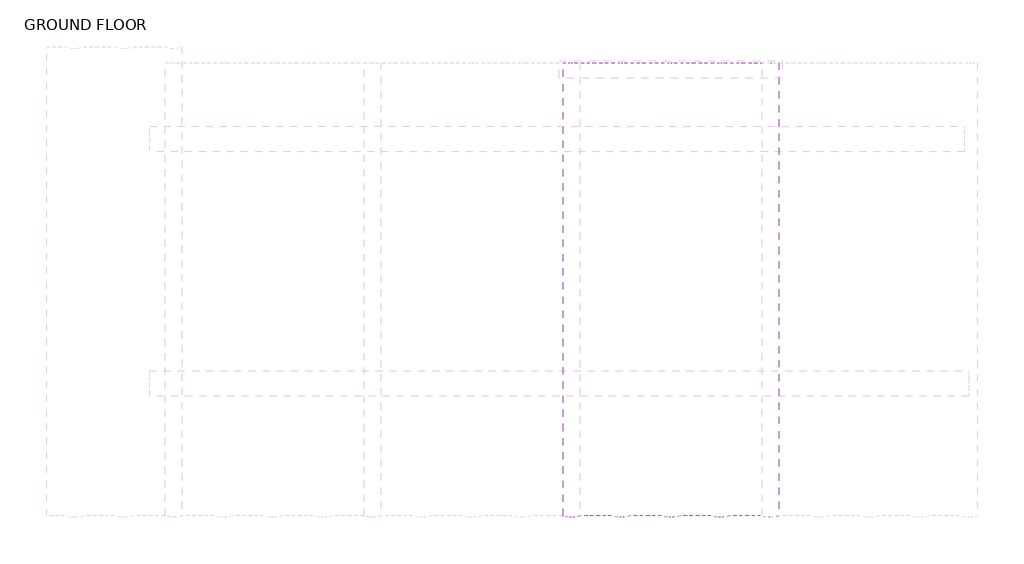
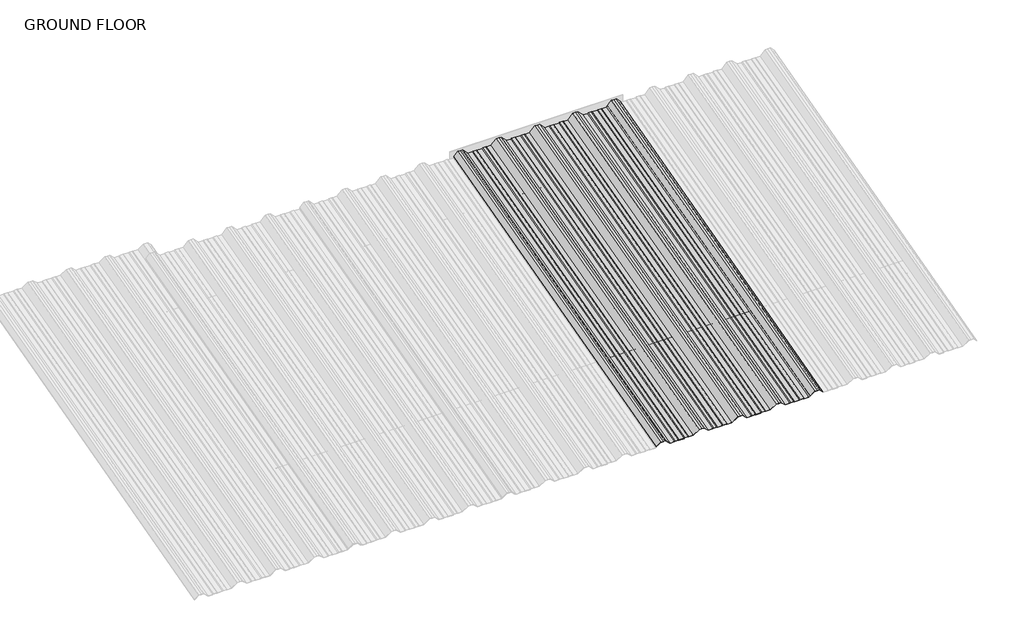
# One storey, part 3 of 4: 1 beam.
"""IFC4 building model written with IfcOpenShell, lengths in millimetres."""

from ifc_helpers import new_model, si_unit, frame, origin, place, context, project, spatial, circle_curve, ellipse_curve, element, save
from ifc_brep_helpers import plane_surface, cylinder_surface, advanced_brep

model = new_model("IFC4")

# Units and contexts
model_context = context("Model", 3, world=origin())
ifc_project = project(units=[si_unit("LENGTHUNIT", "METRE", prefix="MILLI")], contexts=[model_context])

# Site, building, storey
site = spatial("IfcSite", under=ifc_project)
building = spatial("IfcBuilding", under=site)
storey = spatial("IfcBuildingStorey", under=building, Name="GROUND FLOOR", Elevation=0.0)

# Beam
placement = place(None, origin())
element("IfcBeam", 1, ObjectType="MC770", at=placement, inside=storey, context=model_context, shape_type="AdvancedBrep", body=[
    advanced_brep(
    [(-7715.5603599, -11886.263654, 1304.9915055), (-7692.8627049, -11886.263654, 1304.9915055), (-7667.2882907, -11892.9929492, 1330.1055769), (-7655.3628017, -11892.9929492, 1330.1055769), (-7643.4373126, -11892.9929492, 1330.1055769), (-7624.1010527, -11887.905075, 1311.1173721), (-7623.3155527, -11888.1083774, 1311.8761068), (-7642.8628017, -11893.2517682, 1331.0715028), (-7655.3628017, -11893.2517682, 1331.0715028), (-7667.8628017, -11893.2517682, 1331.0715028), (-7693.4372159, -11886.522473, 1305.9574313), (-7715.2698454, -11886.522473, 1305.9574313), (-7718.4848895, -11887.0505225, 1307.9281386), (-7735.4248588, -11887.0505225, 1307.9281386), (-7739.8051765, -11886.522473, 1305.9574313), (-7763.4204268, -11886.522473, 1305.9574313), (-7767.8007445, -11887.0505225, 1307.9281386), (-7784.7407138, -11887.0505225, 1307.9281386), (-7787.9557579, -11886.522473, 1305.9574313), (-7809.7883874, -11886.522473, 1305.9574313), (-7835.3628017, -11893.2517682, 1331.0715028), (-7847.8628017, -11893.2517682, 1331.0715028), (-7860.3628017, -11893.2517682, 1331.0715028), (-7885.9372159, -11886.522473, 1305.9574313), (-7907.7698454, -11886.522473, 1305.9574313), (-7910.9848895, -11887.0505225, 1307.9281386), (-7927.9248588, -11887.0505225, 1307.9281386), (-7932.3051765, -11886.522473, 1305.9574313), (-7955.9204268, -11886.522473, 1305.9574313), (-7960.3007445, -11887.0505225, 1307.9281386), (-7977.2407138, -11887.0505225, 1307.9281386), (-7980.4557579, -11886.522473, 1305.9574313), (-8002.2883874, -11886.522473, 1305.9574313), (-8027.8628017, -11893.2517682, 1331.0715028), (-8040.3628017, -11893.2517682, 1331.0715028), (-8052.8628017, -11893.2517682, 1331.0715028), (-8078.4372159, -11886.522473, 1305.9574313), (-8100.2698454, -11886.522473, 1305.9574313), (-8103.4848895, -11887.0505225, 1307.9281386), (-8120.4248588, -11887.0505225, 1307.9281386), (-8124.8051765, -11886.522473, 1305.9574313), (-8148.4204268, -11886.522473, 1305.9574313), (-8152.8007445, -11887.0505225, 1307.9281386), (-8169.7407138, -11887.0505225, 1307.9281386), (-8172.9557579, -11886.522473, 1305.9574313), (-8194.7883874, -11886.522473, 1305.9574313), (-8220.3628017, -11893.2517682, 1331.0715028), (-8232.8628017, -11893.2517682, 1331.0715028), (-8245.3628017, -11893.2517682, 1331.0715028), (-8270.9372159, -11886.522473, 1305.9574313), (-8292.7698454, -11886.522473, 1305.9574313), (-8295.9848895, -11887.0505225, 1307.9281386), (-8312.9248588, -11887.0505225, 1307.9281386), (-8317.3051765, -11886.522473, 1305.9574313), (-8340.9204268, -11886.522473, 1305.9574313), (-8345.3007445, -11887.0505225, 1307.9281386), (-8362.2407138, -11887.0505225, 1307.9281386), (-8365.4557579, -11886.522473, 1305.9574313), (-8387.2883874, -11886.522473, 1305.9574313), (-8412.8628017, -11893.2517682, 1331.0715028), (-8425.3628017, -11893.2517682, 1331.0715028), (-8437.8628017, -11893.2517682, 1331.0715028), (-8457.4100506, -11888.1083774, 1311.8761068), (-8456.6245506, -11887.905075, 1311.1173721), (-8437.2882907, -11892.9929492, 1330.1055769), (-8425.3628017, -11892.9929492, 1330.1055769), (-8413.4373126, -11892.9929492, 1330.1055769), (-8387.8628984, -11886.263654, 1304.9915055), (-8365.1652434, -11886.263654, 1304.9915055), (-8361.9501993, -11886.7917034, 1306.9622127), (-8345.522208, -11886.7917034, 1306.9622127), (-8341.1418903, -11886.263654, 1304.9915055), (-8317.083713, -11886.263654, 1304.9915055), (-8312.7033953, -11886.7917034, 1306.9622127), (-8296.275404, -11886.7917034, 1306.9622127), (-8293.0603599, -11886.263654, 1304.9915055), (-8270.3627049, -11886.263654, 1304.9915055), (-8244.7882907, -11892.9929492, 1330.1055769), (-8232.8628017, -11892.9929492, 1330.1055769), (-8220.9373126, -11892.9929492, 1330.1055769), (-8195.3628984, -11886.263654, 1304.9915055), (-8172.6652434, -11886.263654, 1304.9915055), (-8169.4501993, -11886.7917034, 1306.9622127), (-8153.022208, -11886.7917034, 1306.9622127), (-8148.6418903, -11886.263654, 1304.9915055), (-8124.583713, -11886.263654, 1304.9915055), (-8120.2033953, -11886.7917034, 1306.9622127), (-8103.775404, -11886.7917034, 1306.9622127), (-8100.5603599, -11886.263654, 1304.9915055), (-8077.8627049, -11886.263654, 1304.9915055), (-8052.2882907, -11892.9929492, 1330.1055769), (-8040.3628017, -11892.9929492, 1330.1055769), (-8028.4373126, -11892.9929492, 1330.1055769), (-8002.8628984, -11886.263654, 1304.9915055), (-7980.1652434, -11886.263654, 1304.9915055), (-7976.9501993, -11886.7917034, 1306.9622127), (-7960.522208, -11886.7917034, 1306.9622127), (-7956.1418903, -11886.263654, 1304.9915055), (-7932.083713, -11886.263654, 1304.9915055), (-7927.7033953, -11886.7917034, 1306.9622127), (-7911.275404, -11886.7917034, 1306.9622127), (-7908.0603599, -11886.263654, 1304.9915055), (-7885.3627049, -11886.263654, 1304.9915055), (-7859.7882907, -11892.9929492, 1330.1055769), (-7847.8628017, -11892.9929492, 1330.1055769), (-7835.9373126, -11892.9929492, 1330.1055769), (-7810.3628984, -11886.263654, 1304.9915055), (-7787.6652434, -11886.263654, 1304.9915055), (-7784.4501993, -11886.7917034, 1306.9622127), (-7768.022208, -11886.7917034, 1306.9622127), (-7763.6418903, -11886.263654, 1304.9915055), (-7739.583713, -11886.263654, 1304.9915055), (-7735.2033953, -11886.7917034, 1306.9622127), (-7718.775404, -11886.7917034, 1306.9622127), (-7835.9373126, -10133.2979315, 1801.6144358), (-7810.3628984, -10133.2979315, 1774.6972552), (-7847.8628017, -10133.2979315, 1801.6144358), (-7859.7882907, -10133.2979315, 1801.6144358), (-7885.3627049, -10133.2979315, 1774.6972552), (-7908.0603599, -10133.2979315, 1774.6972552), (-7911.275404, -10133.2979315, 1776.8094529), (-7927.7033953, -10133.2979315, 1776.8094529), (-7932.083713, -10133.2979315, 1774.6972552), (-7956.1418903, -10133.2979315, 1774.6972552), (-7960.522208, -10133.2979315, 1776.8094529), (-7976.9501993, -10133.2979315, 1776.8094529), (-7980.1652434, -10133.2979315, 1774.6972552), (-8002.8628984, -10133.2979315, 1774.6972552), (-8028.4373126, -10133.2979315, 1801.6144358), (-8040.3628017, -10133.2979315, 1801.6144358), (-8052.2882907, -10133.2979315, 1801.6144358), (-8077.8627049, -10133.2979315, 1774.6972552), (-8100.5603599, -10133.2979315, 1774.6972552), (-8103.775404, -10133.2979315, 1776.8094529), (-8120.2033953, -10133.2979315, 1776.8094529), (-8124.583713, -10133.2979315, 1774.6972552), (-8148.6418903, -10133.2979315, 1774.6972552), (-8153.022208, -10133.2979315, 1776.8094529), (-8169.4501993, -10133.2979315, 1776.8094529), (-8172.6652434, -10133.2979315, 1774.6972552), (-8195.3628984, -10133.2979315, 1774.6972552), (-8220.9373126, -10133.2979315, 1801.6144358), (-8232.8628017, -10133.2979315, 1801.6144358), (-8244.7882907, -10133.2979315, 1801.6144358), (-8270.3627049, -10133.2979315, 1774.6972552), (-8293.0603599, -10133.2979315, 1774.6972552), (-8296.275404, -10133.2979315, 1776.8094529), (-8312.7033953, -10133.2979315, 1776.8094529), (-8317.083713, -10133.2979315, 1774.6972552), (-8341.1418903, -10133.2979315, 1774.6972552), (-8345.522208, -10133.2979315, 1776.8094529), (-8361.9501993, -10133.2979315, 1776.8094529), (-8365.1652434, -10133.2979315, 1774.6972552), (-8387.8628984, -10133.2979315, 1774.6972552), (-8413.4373126, -10133.2979315, 1801.6144358), (-8425.3628017, -10133.2979315, 1801.6144358), (-8437.2882907, -10133.2979315, 1801.6144358), (-8456.6245506, -10133.2979315, 1781.2629393), (-8457.4100506, -10133.2979315, 1782.0761487), (-8437.8628017, -10133.2979315, 1802.649712), (-8425.3628017, -10133.2979315, 1802.649712), (-8412.8628017, -10133.2979315, 1802.649712), (-8387.2883874, -10133.2979315, 1775.7325313), (-8365.4557579, -10133.2979315, 1775.7325313), (-8362.2407138, -10133.2979315, 1777.844729), (-8345.3007445, -10133.2979315, 1777.844729), (-8340.9204268, -10133.2979315, 1775.7325313), (-8317.3051765, -10133.2979315, 1775.7325313), (-8312.9248588, -10133.2979315, 1777.844729), (-8295.9848895, -10133.2979315, 1777.844729), (-8292.7698454, -10133.2979315, 1775.7325313), (-8270.9372159, -10133.2979315, 1775.7325313), (-8245.3628017, -10133.2979315, 1802.649712), (-8232.8628017, -10133.2979315, 1802.649712), (-8220.3628017, -10133.2979315, 1802.649712), (-8194.7883874, -10133.2979315, 1775.7325313), (-8172.9557579, -10133.2979315, 1775.7325313), (-8169.7407138, -10133.2979315, 1777.844729), (-8152.8007445, -10133.2979315, 1777.844729), (-8148.4204268, -10133.2979315, 1775.7325313), (-8124.8051765, -10133.2979315, 1775.7325313), (-8120.4248588, -10133.2979315, 1777.844729), (-8103.4848895, -10133.2979315, 1777.844729), (-8100.2698454, -10133.2979315, 1775.7325313), (-8078.4372159, -10133.2979315, 1775.7325313), (-8052.8628017, -10133.2979315, 1802.649712), (-8040.3628017, -10133.2979315, 1802.649712), (-8027.8628017, -10133.2979315, 1802.649712), (-8002.2883874, -10133.2979315, 1775.7325313), (-7980.4557579, -10133.2979315, 1775.7325313), (-7977.2407138, -10133.2979315, 1777.844729), (-7960.3007445, -10133.2979315, 1777.844729), (-7955.9204268, -10133.2979315, 1775.7325313), (-7932.3051765, -10133.2979315, 1775.7325313), (-7927.9248588, -10133.2979315, 1777.844729), (-7910.9848895, -10133.2979315, 1777.844729), (-7907.7698454, -10133.2979315, 1775.7325313), (-7885.9372159, -10133.2979315, 1775.7325313), (-7860.3628017, -10133.2979315, 1802.649712), (-7847.8628017, -10133.2979315, 1802.649712), (-7835.3628017, -10133.2979315, 1802.649712), (-7809.7883874, -10133.2979315, 1775.7325313), (-7787.9557579, -10133.2979315, 1775.7325313), (-7784.7407138, -10133.2979315, 1777.844729), (-7767.8007445, -10133.2979315, 1777.844729), (-7763.4204268, -10133.2979315, 1775.7325313), (-7739.8051765, -10133.2979315, 1775.7325313), (-7735.4248588, -10133.2979315, 1777.844729), (-7718.4848895, -10133.2979315, 1777.844729), (-7715.2698454, -10133.2979315, 1775.7325313), (-7693.4372159, -10133.2979315, 1775.7325313), (-7667.8628017, -10133.2979315, 1802.649712), (-7655.3628017, -10133.2979315, 1802.649712), (-7642.8628017, -10133.2979315, 1802.649712), (-7623.3155527, -10133.2979315, 1782.0761487), (-7624.1010527, -10133.2979315, 1781.2629393), (-7643.4373126, -10133.2979315, 1801.6144358), (-7655.3628017, -10133.2979315, 1801.6144358), (-7667.2882907, -10133.2979315, 1801.6144358), (-7692.8627049, -10133.2979315, 1774.6972552), (-7718.775404, -10133.2979315, 1776.8094529), (-7715.5603599, -10133.2979315, 1774.6972552), (-7735.2033953, -10133.2979315, 1776.8094529), (-7739.583713, -10133.2979315, 1774.6972552), (-7763.6418903, -10133.2979315, 1774.6972552), (-7768.022208, -10133.2979315, 1776.8094529), (-7784.4501993, -10133.2979315, 1776.8094529), (-7787.6652434, -10133.2979315, 1774.6972552)],
    [
        (0, 1),
        (1, 2),
        (2, 3),
        (3, 4),
        (4, 5),
        (5, 6, circle_curve(frame((-7623.7115436, -11888.007565, 1311.49987), z_axis=(0.0, -0.9659258262890685, -0.2588190451025203), x_axis=(-1.0000000000000002, 0.0, 0.0)), 0.5554513)),
        (6, 7),
        (7, 8),
        (8, 9),
        (9, 10),
        (10, 11),
        (11, 12),
        (12, 13),
        (13, 14),
        (14, 15),
        (15, 16),
        (16, 17),
        (17, 18),
        (18, 19),
        (19, 20),
        (20, 21),
        (21, 22),
        (22, 23),
        (23, 24),
        (24, 25),
        (25, 26),
        (26, 27),
        (27, 28),
        (28, 29),
        (29, 30),
        (30, 31),
        (31, 32),
        (32, 33),
        (33, 34),
        (34, 35),
        (35, 36),
        (36, 37),
        (37, 38),
        (38, 39),
        (39, 40),
        (40, 41),
        (41, 42),
        (42, 43),
        (43, 44),
        (44, 45),
        (45, 46),
        (46, 47),
        (47, 48),
        (48, 49),
        (49, 50),
        (50, 51),
        (51, 52),
        (52, 53),
        (53, 54),
        (54, 55),
        (55, 56),
        (56, 57),
        (57, 58),
        (58, 59),
        (59, 60),
        (60, 61),
        (61, 62),
        (62, 63, circle_curve(frame((-8457.0140597, -11888.007565, 1311.49987), z_axis=(0.0, -0.9659258262890685, -0.2588190451025203), x_axis=(-1.0000000000000002, 0.0, 0.0)), 0.5554513)),
        (63, 64),
        (64, 65),
        (65, 66),
        (66, 67),
        (67, 68),
        (68, 69),
        (69, 70),
        (70, 71),
        (71, 72),
        (72, 73),
        (73, 74),
        (74, 75),
        (75, 76),
        (76, 77),
        (77, 78),
        (78, 79),
        (79, 80),
        (80, 81),
        (81, 82),
        (82, 83),
        (83, 84),
        (84, 85),
        (85, 86),
        (86, 87),
        (87, 88),
        (88, 89),
        (89, 90),
        (90, 91),
        (91, 92),
        (92, 93),
        (93, 94),
        (94, 95),
        (95, 96),
        (96, 97),
        (97, 98),
        (98, 99),
        (99, 100),
        (100, 101),
        (101, 102),
        (102, 103),
        (103, 104),
        (104, 105),
        (105, 106),
        (106, 107),
        (107, 108),
        (108, 109),
        (109, 110),
        (110, 111),
        (111, 112),
        (112, 113),
        (113, 0),
        (105, 114),
        (114, 115),
        (115, 106),
        (104, 116),
        (116, 114),
        (103, 117),
        (117, 116),
        (102, 118),
        (118, 117),
        (101, 119),
        (119, 118),
        (100, 120),
        (120, 119),
        (99, 121),
        (121, 120),
        (98, 122),
        (122, 121),
        (97, 123),
        (123, 122),
        (96, 124),
        (124, 123),
        (95, 125),
        (125, 124),
        (94, 126),
        (126, 125),
        (93, 127),
        (127, 126),
        (92, 128),
        (128, 127),
        (91, 129),
        (129, 128),
        (90, 130),
        (130, 129),
        (89, 131),
        (131, 130),
        (88, 132),
        (132, 131),
        (87, 133),
        (133, 132),
        (86, 134),
        (134, 133),
        (85, 135),
        (135, 134),
        (84, 136),
        (136, 135),
        (83, 137),
        (137, 136),
        (82, 138),
        (138, 137),
        (81, 139),
        (139, 138),
        (80, 140),
        (140, 139),
        (79, 141),
        (141, 140),
        (78, 142),
        (142, 141),
        (77, 143),
        (143, 142),
        (76, 144),
        (144, 143),
        (75, 145),
        (145, 144),
        (74, 146),
        (146, 145),
        (73, 147),
        (147, 146),
        (72, 148),
        (148, 147),
        (71, 149),
        (149, 148),
        (70, 150),
        (150, 149),
        (69, 151),
        (151, 150),
        (68, 152),
        (152, 151),
        (67, 153),
        (153, 152),
        (66, 154),
        (154, 153),
        (65, 155),
        (155, 154),
        (64, 156),
        (156, 155),
        (63, 157),
        (157, 156),
        (62, 158),
        (158, 157, ellipse_curve(frame((-8457.0140597, -10133.2979315, 1781.6728992), z_axis=(0.0, -1.0, 0.0), x_axis=(0.0, 0.0, 1.0)), 0.5750455, 0.5554513)),
        (61, 159),
        (159, 158),
        (60, 160),
        (160, 159),
        (59, 161),
        (161, 160),
        (58, 162),
        (162, 161),
        (57, 163),
        (163, 162),
        (56, 164),
        (164, 163),
        (55, 165),
        (165, 164),
        (54, 166),
        (166, 165),
        (53, 167),
        (167, 166),
        (52, 168),
        (168, 167),
        (51, 169),
        (169, 168),
        (50, 170),
        (170, 169),
        (49, 171),
        (171, 170),
        (48, 172),
        (172, 171),
        (47, 173),
        (173, 172),
        (46, 174),
        (174, 173),
        (45, 175),
        (175, 174),
        (44, 176),
        (176, 175),
        (43, 177),
        (177, 176),
        (42, 178),
        (178, 177),
        (41, 179),
        (179, 178),
        (40, 180),
        (180, 179),
        (39, 181),
        (181, 180),
        (38, 182),
        (182, 181),
        (37, 183),
        (183, 182),
        (36, 184),
        (184, 183),
        (35, 185),
        (185, 184),
        (34, 186),
        (186, 185),
        (33, 187),
        (187, 186),
        (32, 188),
        (188, 187),
        (31, 189),
        (189, 188),
        (30, 190),
        (190, 189),
        (29, 191),
        (191, 190),
        (28, 192),
        (192, 191),
        (27, 193),
        (193, 192),
        (26, 194),
        (194, 193),
        (25, 195),
        (195, 194),
        (24, 196),
        (196, 195),
        (23, 197),
        (197, 196),
        (22, 198),
        (198, 197),
        (21, 199),
        (199, 198),
        (20, 200),
        (200, 199),
        (19, 201),
        (201, 200),
        (18, 202),
        (202, 201),
        (17, 203),
        (203, 202),
        (16, 204),
        (204, 203),
        (15, 205),
        (205, 204),
        (14, 206),
        (206, 205),
        (13, 207),
        (207, 206),
        (12, 208),
        (208, 207),
        (11, 209),
        (209, 208),
        (10, 210),
        (210, 209),
        (9, 211),
        (211, 210),
        (8, 212),
        (212, 211),
        (7, 213),
        (213, 212),
        (6, 214),
        (214, 213),
        (5, 215),
        (215, 214, ellipse_curve(frame((-7623.7115436, -10133.2979315, 1781.6728992), z_axis=(0.0, -1.0, 0.0), x_axis=(0.0, 0.0, 1.0)), 0.5750455, 0.5554513)),
        (4, 216),
        (216, 215),
        (3, 217),
        (217, 216),
        (2, 218),
        (218, 217),
        (1, 219),
        (219, 218),
        (113, 220),
        (220, 221),
        (221, 0),
        (112, 222),
        (222, 220),
        (111, 223),
        (223, 222),
        (110, 224),
        (224, 223),
        (109, 225),
        (225, 224),
        (108, 226),
        (226, 225),
        (107, 227),
        (227, 226),
        (115, 227),
        (221, 219),
    ],
    [
        plane_surface(frame((-7715.5603599, -11886.263654, 1304.9915055), z_axis=(0.0, -0.9659258262890683, -0.2588190451025203), x_axis=(0.8443401358092323, 0.1386771995183702, -0.5175503544539307))),
        plane_surface(frame((-7810.3628984, -10070.3231006, 1791.5713102), z_axis=(-0.7129174676808552, 0.18149632422634157, -0.6773535033996972), x_axis=(0.0, -0.9659258262890685, -0.2588190451025203))),
        plane_surface(frame((-7835.9373126, -10077.0523957, 1816.6853817), z_axis=(0.0, 0.2588190451025203, -0.9659258262890685), x_axis=(0.0, -0.9659258262890685, -0.2588190451025203))),
        plane_surface(frame((-7847.8628017, -10077.0523957, 1816.6853817), z_axis=(0.0, 0.2588190451025203, -0.9659258262890685), x_axis=(0.0, -0.9659258262890685, -0.2588190451025203))),
        plane_surface(frame((-7859.7882907, -10077.0523957, 1816.6853817), z_axis=(0.7129174676808556, 0.181496324226339, -0.6773535033996975), x_axis=(0.0, -0.9659258262890685, -0.2588190451025203))),
        plane_surface(frame((-7885.3627049, -10070.3231006, 1791.5713102), z_axis=(0.0, 0.2588190451025203, -0.9659258262890685), x_axis=(0.0, -0.9659258262890685, -0.2588190451025203))),
        plane_surface(frame((-7908.0603599, -10070.3231006, 1791.5713102), z_axis=(-0.5358075541290757, 0.21853130769185802, -0.8155699433504795), x_axis=(0.0, -0.9659258262890685, -0.2588190451025203))),
        plane_surface(frame((-7911.275404, -10070.85115, 1793.5420175), z_axis=(0.0, 0.2588190451025203, -0.9659258262890685), x_axis=(0.0, -0.9659258262890685, -0.2588190451025203))),
        plane_surface(frame((-7927.7033953, -10070.85115, 1793.5420175), z_axis=(0.4222188604225527, 0.23461789175160197, -0.8756058923816783), x_axis=(0.0, -0.9659258262890685, -0.2588190451025203))),
        plane_surface(frame((-7932.083713, -10070.3231006, 1791.5713102), z_axis=(0.0, 0.2588190451025203, -0.9659258262890685), x_axis=(0.0, -0.9659258262890685, -0.2588190451025203))),
        plane_surface(frame((-7956.1418903, -10070.3231006, 1791.5713102), z_axis=(-0.42221886042234286, 0.23461789175162867, -0.8756058923817721), x_axis=(0.0, -0.9659258262890685, -0.2588190451025203))),
        plane_surface(frame((-7960.522208, -10070.85115, 1793.5420175), z_axis=(0.0, 0.2588190451025203, -0.9659258262890685), x_axis=(0.0, -0.9659258262890685, -0.2588190451025203))),
        plane_surface(frame((-7976.9501993, -10070.85115, 1793.5420175), z_axis=(0.5358075541289655, 0.2185313076918742, -0.8155699433505474), x_axis=(0.0, -0.9659258262890685, -0.2588190451025203))),
        plane_surface(frame((-7980.1652434, -10070.3231006, 1791.5713102), z_axis=(0.0, 0.2588190451025203, -0.9659258262890685), x_axis=(0.0, -0.9659258262890685, -0.2588190451025203))),
        plane_surface(frame((-8002.8628984, -10070.3231006, 1791.5713102), z_axis=(-0.7129174676808558, 0.18149632422634146, -0.6773535033996968), x_axis=(0.0, -0.9659258262890685, -0.2588190451025203))),
        plane_surface(frame((-8028.4373126, -10077.0523957, 1816.6853817), z_axis=(0.0, 0.2588190451025203, -0.9659258262890685), x_axis=(0.0, -0.9659258262890685, -0.2588190451025203))),
        plane_surface(frame((-8040.3628017, -10077.0523957, 1816.6853817), z_axis=(0.0, 0.2588190451025203, -0.9659258262890685), x_axis=(0.0, -0.9659258262890685, -0.2588190451025203))),
        plane_surface(frame((-8052.2882907, -10077.0523957, 1816.6853817), z_axis=(0.712917467680864, 0.18149632422633677, -0.6773535033996894), x_axis=(0.0, -0.9659258262890685, -0.2588190451025203))),
        plane_surface(frame((-8077.8627049, -10070.3231006, 1791.5713102), z_axis=(0.0, 0.2588190451025203, -0.9659258262890685), x_axis=(0.0, -0.9659258262890685, -0.2588190451025203))),
        plane_surface(frame((-8100.5603599, -10070.3231006, 1791.5713102), z_axis=(-0.5358075541289675, 0.21853130769187584, -0.815569943350546), x_axis=(0.0, -0.9659258262890685, -0.2588190451025203))),
        plane_surface(frame((-8103.775404, -10070.85115, 1793.5420175), z_axis=(0.0, 0.2588190451025203, -0.9659258262890685), x_axis=(0.0, -0.9659258262890685, -0.2588190451025203))),
        plane_surface(frame((-8120.2033953, -10070.85115, 1793.5420175), z_axis=(0.42221886042244855, 0.2346178917516145, -0.8756058923817249), x_axis=(0.0, -0.9659258262890685, -0.2588190451025203))),
        plane_surface(frame((-8124.583713, -10070.3231006, 1791.5713102), z_axis=(0.0, 0.2588190451025203, -0.9659258262890685), x_axis=(0.0, -0.9659258262890685, -0.2588190451025203))),
        plane_surface(frame((-8148.6418903, -10070.3231006, 1791.5713102), z_axis=(-0.4222188604224433, 0.23461789175161654, -0.8756058923817269), x_axis=(0.0, -0.9659258262890685, -0.2588190451025203))),
        plane_surface(frame((-8153.022208, -10070.85115, 1793.5420175), z_axis=(0.0, 0.2588190451025203, -0.9659258262890685), x_axis=(0.0, -0.9659258262890685, -0.2588190451025203))),
        plane_surface(frame((-8169.4501993, -10070.85115, 1793.5420175), z_axis=(0.5358075541289593, 0.21853130769187526, -0.8155699433505512), x_axis=(0.0, -0.9659258262890685, -0.2588190451025203))),
        plane_surface(frame((-8172.6652434, -10070.3231006, 1791.5713102), z_axis=(0.0, 0.2588190451025203, -0.9659258262890685), x_axis=(0.0, -0.9659258262890685, -0.2588190451025203))),
        plane_surface(frame((-8195.3628984, -10070.3231006, 1791.5713102), z_axis=(-0.7129174676808558, 0.18149632422634146, -0.6773535033996968), x_axis=(0.0, -0.9659258262890685, -0.2588190451025203))),
        plane_surface(frame((-8220.9373126, -10077.0523957, 1816.6853817), z_axis=(0.0, 0.2588190451025203, -0.9659258262890685), x_axis=(0.0, -0.9659258262890685, -0.2588190451025203))),
        plane_surface(frame((-8232.8628017, -10077.0523957, 1816.6853817), z_axis=(0.0, 0.2588190451025203, -0.9659258262890685), x_axis=(0.0, -0.9659258262890685, -0.2588190451025203))),
        plane_surface(frame((-8244.7882907, -10077.0523957, 1816.6853817), z_axis=(0.712917467680864, 0.1814963242263368, -0.6773535033996895), x_axis=(0.0, -0.9659258262890685, -0.2588190451025203))),
        plane_surface(frame((-8270.3627049, -10070.3231006, 1791.5713102), z_axis=(0.0, 0.2588190451025203, -0.9659258262890685), x_axis=(0.0, -0.9659258262890685, -0.2588190451025203))),
        plane_surface(frame((-8293.0603599, -10070.3231006, 1791.5713102), z_axis=(-0.535807554128972, 0.218531307691875, -0.8155699433505431), x_axis=(0.0, -0.9659258262890685, -0.2588190451025203))),
        plane_surface(frame((-8296.275404, -10070.85115, 1793.5420175), z_axis=(0.0, 0.2588190451025203, -0.9659258262890685), x_axis=(0.0, -0.9659258262890685, -0.2588190451025203))),
        plane_surface(frame((-8312.7033953, -10070.85115, 1793.5420175), z_axis=(0.42221886042244905, 0.23461789175161446, -0.8756058923817248), x_axis=(0.0, -0.9659258262890685, -0.2588190451025203))),
        plane_surface(frame((-8317.083713, -10070.3231006, 1791.5713102), z_axis=(0.0, 0.2588190451025203, -0.9659258262890685), x_axis=(0.0, -0.9659258262890685, -0.2588190451025203))),
        plane_surface(frame((-8341.1418903, -10070.3231006, 1791.5713102), z_axis=(-0.4222188604224491, 0.2346178917516159, -0.8756058923817244), x_axis=(0.0, -0.9659258262890685, -0.2588190451025203))),
        plane_surface(frame((-8345.522208, -10070.85115, 1793.5420175), z_axis=(0.0, 0.2588190451025203, -0.9659258262890685), x_axis=(0.0, -0.9659258262890685, -0.2588190451025203))),
        plane_surface(frame((-8361.9501993, -10070.85115, 1793.5420175), z_axis=(0.5358075541289655, 0.2185313076918742, -0.8155699433505474), x_axis=(0.0, -0.9659258262890685, -0.2588190451025203))),
        plane_surface(frame((-8365.1652434, -10070.3231006, 1791.5713102), z_axis=(0.0, 0.2588190451025203, -0.9659258262890685), x_axis=(0.0, -0.9659258262890685, -0.2588190451025203))),
        plane_surface(frame((-8387.8628984, -10070.3231006, 1791.5713102), z_axis=(-0.7129174676808541, 0.18149632422634193, -0.6773535033996987), x_axis=(0.0, -0.9659258262890685, -0.2588190451025203))),
        plane_surface(frame((-8413.4373126, -10077.0523957, 1816.6853817), z_axis=(0.0, 0.25881904510252024, -0.9659258262890685), x_axis=(0.0, -0.9659258262890685, -0.25881904510252024))),
        plane_surface(frame((-8425.3628017, -10077.0523957, 1816.6853817), z_axis=(0.0, 0.25881904510252024, -0.9659258262890685), x_axis=(0.0, -0.9659258262890685, -0.25881904510252024))),
        plane_surface(frame((-8437.2882907, -10077.0523957, 1816.6853817), z_axis=(0.7129174676808664, 0.18149632422633616, -0.677353503399687), x_axis=(0.0, -0.9659258262890685, -0.2588190451025203))),
        cylinder_surface(frame((-8457.0140597, -11888.007565, 1311.49987), z_axis=(0.0, 0.9659258262890685, 0.2588190451025203), x_axis=(-1.0000000000000002, 0.0, 0.0)), 0.5554513),
        plane_surface(frame((-8457.4100506, -10072.1678239, 1798.4559116), z_axis=(-0.7129174676808747, -0.18149632422633405, 0.6773535033996789), x_axis=(0.0, -0.9659258262890685, -0.2588190451025203))),
        plane_surface(frame((-8437.8628017, -10077.3112148, 1817.6513076), z_axis=(0.0, -0.25881904510252035, 0.9659258262890685), x_axis=(0.0, -0.9659258262890685, -0.25881904510252035))),
        plane_surface(frame((-8425.3628017, -10077.3112148, 1817.6513076), z_axis=(0.0, -0.25881904510252035, 0.9659258262890685), x_axis=(0.0, -0.9659258262890685, -0.25881904510252035))),
        plane_surface(frame((-8412.8628017, -10077.3112148, 1817.6513076), z_axis=(0.7129174676808452, -0.1814963242263442, 0.6773535033997071), x_axis=(0.0, -0.9659258262890685, -0.2588190451025203))),
        plane_surface(frame((-8387.2883874, -10070.5819196, 1792.5372361), z_axis=(0.0, -0.2588190451025203, 0.9659258262890685), x_axis=(0.0, -0.9659258262890685, -0.2588190451025203))),
        plane_surface(frame((-8365.4557579, -10070.5819196, 1792.5372361), z_axis=(-0.5358075541289655, -0.2185313076918742, 0.8155699433505474), x_axis=(0.0, -0.9659258262890685, -0.2588190451025203))),
        plane_surface(frame((-8362.2407138, -10071.109969, 1794.5079434), z_axis=(0.0, -0.2588190451025203, 0.9659258262890685), x_axis=(0.0, -0.9659258262890685, -0.2588190451025203))),
        plane_surface(frame((-8345.3007445, -10071.109969, 1794.5079434), z_axis=(0.4222188604224491, -0.2346178917516159, 0.8756058923817244), x_axis=(0.0, -0.9659258262890685, -0.2588190451025203))),
        plane_surface(frame((-8340.9204268, -10070.5819196, 1792.5372361), z_axis=(0.0, -0.25881904510252035, 0.9659258262890685), x_axis=(0.0, -0.9659258262890685, -0.25881904510252035))),
        plane_surface(frame((-8317.3051765, -10070.5819196, 1792.5372361), z_axis=(-0.42221886042244905, -0.23461789175161446, 0.8756058923817248), x_axis=(0.0, -0.9659258262890685, -0.2588190451025203))),
        plane_surface(frame((-8312.9248588, -10071.109969, 1794.5079434), z_axis=(0.0, -0.2588190451025203, 0.9659258262890685), x_axis=(0.0, -0.9659258262890685, -0.2588190451025203))),
        plane_surface(frame((-8295.9848895, -10071.109969, 1794.5079434), z_axis=(0.5358075541289593, -0.21853130769187715, 0.8155699433505508), x_axis=(0.0, -0.9659258262890685, -0.2588190451025203))),
        plane_surface(frame((-8292.7698454, -10070.5819196, 1792.5372361), z_axis=(0.0, -0.2588190451025203, 0.9659258262890685), x_axis=(0.0, -0.9659258262890685, -0.2588190451025203))),
        plane_surface(frame((-8270.9372159, -10070.5819196, 1792.5372361), z_axis=(-0.712917467680863, -0.18149632422633713, 0.6773535033996905), x_axis=(0.0, -0.9659258262890685, -0.2588190451025203))),
        plane_surface(frame((-8245.3628017, -10077.3112148, 1817.6513076), z_axis=(0.0, -0.2588190451025203, 0.9659258262890685), x_axis=(0.0, -0.9659258262890685, -0.2588190451025203))),
        plane_surface(frame((-8232.8628017, -10077.3112148, 1817.6513076), z_axis=(0.0, -0.2588190451025203, 0.9659258262890685), x_axis=(0.0, -0.9659258262890685, -0.2588190451025203))),
        plane_surface(frame((-8220.3628017, -10077.3112148, 1817.6513076), z_axis=(0.7129174676808556, -0.18149632422634152, 0.677353503399697), x_axis=(0.0, -0.9659258262890685, -0.2588190451025203))),
        plane_surface(frame((-8194.7883874, -10070.5819196, 1792.5372361), z_axis=(0.0, -0.2588190451025203, 0.9659258262890685), x_axis=(0.0, -0.9659258262890685, -0.2588190451025203))),
        plane_surface(frame((-8172.9557579, -10070.5819196, 1792.5372361), z_axis=(-0.5358075541289593, -0.21853130769187526, 0.8155699433505512), x_axis=(0.0, -0.9659258262890685, -0.2588190451025203))),
        plane_surface(frame((-8169.7407138, -10071.109969, 1794.5079434), z_axis=(0.0, -0.2588190451025203, 0.9659258262890685), x_axis=(0.0, -0.9659258262890685, -0.2588190451025203))),
        plane_surface(frame((-8152.8007445, -10071.109969, 1794.5079434), z_axis=(0.4222188604224433, -0.23461789175161654, 0.8756058923817269), x_axis=(0.0, -0.9659258262890685, -0.2588190451025203))),
        plane_surface(frame((-8148.4204268, -10070.5819196, 1792.5372361), z_axis=(0.0, -0.2588190451025203, 0.9659258262890685), x_axis=(0.0, -0.9659258262890685, -0.2588190451025203))),
        plane_surface(frame((-8124.8051765, -10070.5819196, 1792.5372361), z_axis=(-0.422218860422454, -0.23461789175161382, 0.8756058923817225), x_axis=(0.0, -0.9659258262890685, -0.2588190451025203))),
        plane_surface(frame((-8120.4248588, -10071.109969, 1794.5079434), z_axis=(0.0, -0.2588190451025203, 0.9659258262890685), x_axis=(0.0, -0.9659258262890685, -0.2588190451025203))),
        plane_surface(frame((-8103.4848895, -10071.109969, 1794.5079434), z_axis=(0.5358075541289514, -0.21853130769187845, 0.8155699433505558), x_axis=(0.0, -0.9659258262890685, -0.2588190451025203))),
        plane_surface(frame((-8100.2698454, -10070.5819196, 1792.5372361), z_axis=(0.0, -0.2588190451025203, 0.9659258262890685), x_axis=(0.0, -0.9659258262890685, -0.2588190451025203))),
        plane_surface(frame((-8078.4372159, -10070.5819196, 1792.5372361), z_axis=(-0.7129174676808554, -0.18149632422633907, 0.6773535033996979), x_axis=(0.0, -0.9659258262890685, -0.2588190451025203))),
        plane_surface(frame((-8052.8628017, -10077.3112148, 1817.6513076), z_axis=(0.0, -0.2588190451025203, 0.9659258262890685), x_axis=(0.0, -0.9659258262890685, -0.2588190451025203))),
        plane_surface(frame((-8040.3628017, -10077.3112148, 1817.6513076), z_axis=(0.0, -0.2588190451025203, 0.9659258262890685), x_axis=(0.0, -0.9659258262890685, -0.2588190451025203))),
        plane_surface(frame((-8027.8628017, -10077.3112148, 1817.6513076), z_axis=(0.7129174676808471, -0.18149632422634374, 0.6773535033997052), x_axis=(0.0, -0.9659258262890685, -0.2588190451025203))),
        plane_surface(frame((-8002.2883874, -10070.5819196, 1792.5372361), z_axis=(0.0, -0.2588190451025203, 0.9659258262890685), x_axis=(0.0, -0.9659258262890685, -0.2588190451025203))),
        plane_surface(frame((-7980.4557579, -10070.5819196, 1792.5372361), z_axis=(-0.5358075541289655, -0.2185313076918742, 0.8155699433505474), x_axis=(0.0, -0.9659258262890685, -0.2588190451025203))),
        plane_surface(frame((-7977.2407138, -10071.109969, 1794.5079434), z_axis=(0.0, -0.2588190451025203, 0.9659258262890685), x_axis=(0.0, -0.9659258262890685, -0.2588190451025203))),
        plane_surface(frame((-7960.3007445, -10071.109969, 1794.5079434), z_axis=(0.42221886042223916, -0.2346178917516412, 0.8756058923818187), x_axis=(0.0, -0.9659258262890685, -0.2588190451025203))),
        plane_surface(frame((-7955.9204268, -10070.5819196, 1792.5372361), z_axis=(0.0, -0.2588190451025203, 0.9659258262890685), x_axis=(0.0, -0.9659258262890685, -0.2588190451025203))),
        plane_surface(frame((-7932.3051765, -10070.5819196, 1792.5372361), z_axis=(-0.4222188604224463, -0.23461789175161474, 0.8756058923817259), x_axis=(0.0, -0.9659258262890685, -0.2588190451025203))),
        plane_surface(frame((-7927.9248588, -10071.109969, 1794.5079434), z_axis=(0.0, -0.2588190451025203, 0.9659258262890685), x_axis=(0.0, -0.9659258262890685, -0.2588190451025203))),
        plane_surface(frame((-7910.9848895, -10071.109969, 1794.5079434), z_axis=(0.5358075541289616, -0.21853130769187676, 0.8155699433505494), x_axis=(0.0, -0.9659258262890685, -0.2588190451025203))),
        plane_surface(frame((-7907.7698454, -10070.5819196, 1792.5372361), z_axis=(0.0, -0.2588190451025203, 0.9659258262890685), x_axis=(0.0, -0.9659258262890685, -0.2588190451025203))),
        plane_surface(frame((-7885.9372159, -10070.5819196, 1792.5372361), z_axis=(-0.7129174676808471, -0.18149632422634124, 0.6773535033997059), x_axis=(0.0, -0.9659258262890685, -0.2588190451025203))),
        plane_surface(frame((-7860.3628017, -10077.3112148, 1817.6513076), z_axis=(0.0, -0.2588190451025203, 0.9659258262890685), x_axis=(0.0, -0.9659258262890685, -0.2588190451025203))),
        plane_surface(frame((-7847.8628017, -10077.3112148, 1817.6513076), z_axis=(0.0, -0.2588190451025203, 0.9659258262890685), x_axis=(0.0, -0.9659258262890685, -0.2588190451025203))),
        plane_surface(frame((-7835.3628017, -10077.3112148, 1817.6513076), z_axis=(0.7129174676808553, -0.18149632422634157, 0.6773535033996972), x_axis=(0.0, -0.9659258262890685, -0.2588190451025203))),
        plane_surface(frame((-7809.7883874, -10070.5819196, 1792.5372361), z_axis=(0.0, -0.2588190451025203, 0.9659258262890685), x_axis=(0.0, -0.9659258262890685, -0.2588190451025203))),
        plane_surface(frame((-7787.9557579, -10070.5819196, 1792.5372361), z_axis=(-0.5358075541289593, -0.21853130769187526, 0.8155699433505512), x_axis=(0.0, -0.9659258262890685, -0.2588190451025203))),
        plane_surface(frame((-7784.7407138, -10071.109969, 1794.5079434), z_axis=(0.0, -0.2588190451025203, 0.9659258262890685), x_axis=(0.0, -0.9659258262890685, -0.2588190451025203))),
        plane_surface(frame((-7767.8007445, -10071.109969, 1794.5079434), z_axis=(0.4222188604224433, -0.23461789175161654, 0.8756058923817269), x_axis=(0.0, -0.9659258262890685, -0.2588190451025203))),
        plane_surface(frame((-7763.4204268, -10070.5819196, 1792.5372361), z_axis=(0.0, -0.2588190451025203, 0.9659258262890685), x_axis=(0.0, -0.9659258262890685, -0.2588190451025203))),
        plane_surface(frame((-7739.8051765, -10070.5819196, 1792.5372361), z_axis=(-0.42221886042244855, -0.2346178917516145, 0.8756058923817249), x_axis=(0.0, -0.9659258262890685, -0.2588190451025203))),
        plane_surface(frame((-7735.4248588, -10071.109969, 1794.5079434), z_axis=(0.0, -0.2588190451025203, 0.9659258262890685), x_axis=(0.0, -0.9659258262890685, -0.2588190451025203))),
        plane_surface(frame((-7718.4848895, -10071.109969, 1794.5079434), z_axis=(0.5358075541289593, -0.21853130769187712, 0.8155699433505508), x_axis=(0.0, -0.9659258262890685, -0.2588190451025203))),
        plane_surface(frame((-7715.2698454, -10070.5819196, 1792.5372361), z_axis=(0.0, -0.2588190451025203, 0.9659258262890685), x_axis=(0.0, -0.9659258262890685, -0.2588190451025203))),
        plane_surface(frame((-7693.4372159, -10070.5819196, 1792.5372361), z_axis=(-0.7129174676808604, -0.18149632422633774, 0.677353503399693), x_axis=(0.0, -0.9659258262890685, -0.2588190451025203))),
        plane_surface(frame((-7667.8628017, -10077.3112148, 1817.6513076), z_axis=(0.0, -0.2588190451025203, 0.9659258262890685), x_axis=(0.0, -0.9659258262890685, -0.2588190451025203))),
        plane_surface(frame((-7655.3628017, -10077.3112148, 1817.6513076), z_axis=(0.0, -0.2588190451025203, 0.9659258262890685), x_axis=(0.0, -0.9659258262890685, -0.2588190451025203))),
        plane_surface(frame((-7642.8628017, -10077.3112148, 1817.6513076), z_axis=(0.7129174676808666, -0.18149632422633857, 0.6773535033996861), x_axis=(0.0, -0.9659258262890685, -0.2588190451025203))),
        cylinder_surface(frame((-7623.7115436, -11888.007565, 1311.49987), z_axis=(0.0, 0.9659258262890685, 0.2588190451025203), x_axis=(-1.0000000000000002, 0.0, 0.0)), 0.5554513),
        plane_surface(frame((-7624.1010527, -10071.9645216, 1797.6971769), z_axis=(-0.712917467680867, 0.18149632422633852, -0.6773535033996859), x_axis=(0.0, -0.9659258262890685, -0.2588190451025203))),
        plane_surface(frame((-7643.4373126, -10077.0523957, 1816.6853817), z_axis=(0.0, 0.2588190451025203, -0.9659258262890685), x_axis=(0.0, -0.9659258262890685, -0.2588190451025203))),
        plane_surface(frame((-7655.3628017, -10077.0523957, 1816.6853817), z_axis=(0.0, 0.2588190451025203, -0.9659258262890685), x_axis=(0.0, -0.9659258262890685, -0.2588190451025203))),
        plane_surface(frame((-7667.2882907, -10077.0523957, 1816.6853817), z_axis=(0.7129174676808587, 0.1814963242263382, -0.6773535033996947), x_axis=(0.0, -0.9659258262890685, -0.2588190451025203))),
        plane_surface(frame((-7715.5603599, -10070.3231006, 1791.5713102), z_axis=(-0.5358075541289495, 0.21853130769187873, -0.8155699433505568), x_axis=(0.0, -0.9659258262890685, -0.2588190451025203))),
        plane_surface(frame((-7718.775404, -10070.85115, 1793.5420175), z_axis=(0.0, 0.2588190451025203, -0.9659258262890685), x_axis=(0.0, -0.9659258262890685, -0.2588190451025203))),
        plane_surface(frame((-7735.2033953, -10070.85115, 1793.5420175), z_axis=(0.4222188604224517, 0.2346178917516141, -0.8756058923817236), x_axis=(0.0, -0.9659258262890685, -0.2588190451025203))),
        plane_surface(frame((-7739.583713, -10070.3231006, 1791.5713102), z_axis=(0.0, 0.2588190451025203, -0.9659258262890685), x_axis=(0.0, -0.9659258262890685, -0.2588190451025203))),
        plane_surface(frame((-7763.6418903, -10070.3231006, 1791.5713102), z_axis=(-0.4222188604224491, 0.2346178917516159, -0.8756058923817244), x_axis=(0.0, -0.9659258262890685, -0.2588190451025203))),
        plane_surface(frame((-7768.022208, -10070.85115, 1793.5420175), z_axis=(0.0, 0.2588190451025203, -0.9659258262890685), x_axis=(0.0, -0.9659258262890685, -0.2588190451025203))),
        plane_surface(frame((-7784.4501993, -10070.85115, 1793.5420175), z_axis=(0.5358075541289655, 0.2185313076918742, -0.8155699433505474), x_axis=(0.0, -0.9659258262890685, -0.2588190451025203))),
        plane_surface(frame((-7787.6652434, -10070.3231006, 1791.5713102), z_axis=(0.0, 0.2588190451025203, -0.9659258262890685), x_axis=(0.0, -0.9659258262890685, -0.2588190451025203))),
        plane_surface(frame((-7692.8627049, -10070.3231006, 1791.5713102), z_axis=(0.0, 0.2588190451025203, -0.9659258262890685), x_axis=(0.0, -0.9659258262890685, -0.2588190451025203))),
        plane_surface(frame((-10445.3628017, -10133.2979315, 2761.6901946), z_axis=(0.0, 1.0, 0.0), x_axis=(0.0, 0.0, -1.0))),
    ],
    [
        (0, [[1, 2, 3, 4, 5, 6, 7, 8, 9, 10, 11, 12, 13, 14, 15, 16, 17, 18, 19, 20, 21, 22, 23, 24, 25, 26, 27, 28, 29, 30, 31, 32, 33, 34, 35, 36, 37, 38, 39, 40, 41, 42, 43, 44, 45, 46, 47, 48, 49, 50, 51, 52, 53, 54, 55, 56, 57, 58, 59, 60, 61, 62, 63, 64, 65, 66, 67, 68, 69, 70, 71, 72, 73, 74, 75, 76, 77, 78, 79, 80, 81, 82, 83, 84, 85, 86, 87, 88, 89, 90, 91, 92, 93, 94, 95, 96, 97, 98, 99, 100, 101, 102, 103, 104, 105, 106, 107, 108, 109, 110, 111, 112, 113, 114]]),
        (1, [[-106, 115, 116, 117]]),
        (2, [[-105, 118, 119, -115]]),
        (3, [[-104, 120, 121, -118]]),
        (4, [[-103, 122, 123, -120]]),
        (5, [[-102, 124, 125, -122]]),
        (6, [[-101, 126, 127, -124]]),
        (7, [[-100, 128, 129, -126]]),
        (8, [[-99, 130, 131, -128]]),
        (9, [[-98, 132, 133, -130]]),
        (10, [[-97, 134, 135, -132]]),
        (11, [[-96, 136, 137, -134]]),
        (12, [[-95, 138, 139, -136]]),
        (13, [[-94, 140, 141, -138]]),
        (14, [[-93, 142, 143, -140]]),
        (15, [[-92, 144, 145, -142]]),
        (16, [[-91, 146, 147, -144]]),
        (17, [[-90, 148, 149, -146]]),
        (18, [[-89, 150, 151, -148]]),
        (19, [[-88, 152, 153, -150]]),
        (20, [[-87, 154, 155, -152]]),
        (21, [[-86, 156, 157, -154]]),
        (22, [[-85, 158, 159, -156]]),
        (23, [[-84, 160, 161, -158]]),
        (24, [[-83, 162, 163, -160]]),
        (25, [[-82, 164, 165, -162]]),
        (26, [[-81, 166, 167, -164]]),
        (27, [[-80, 168, 169, -166]]),
        (28, [[-79, 170, 171, -168]]),
        (29, [[-78, 172, 173, -170]]),
        (30, [[-77, 174, 175, -172]]),
        (31, [[-76, 176, 177, -174]]),
        (32, [[-75, 178, 179, -176]]),
        (33, [[-74, 180, 181, -178]]),
        (34, [[-73, 182, 183, -180]]),
        (35, [[-72, 184, 185, -182]]),
        (36, [[-71, 186, 187, -184]]),
        (37, [[-70, 188, 189, -186]]),
        (38, [[-69, 190, 191, -188]]),
        (39, [[-68, 192, 193, -190]]),
        (40, [[-67, 194, 195, -192]]),
        (41, [[-66, 196, 197, -194]]),
        (42, [[-65, 198, 199, -196]]),
        (43, [[-64, 200, 201, -198]]),
        (44, [[-63, 202, 203, -200]]),
        (45, [[-62, 204, 205, -202]]),
        (46, [[-61, 206, 207, -204]]),
        (47, [[-60, 208, 209, -206]]),
        (48, [[-59, 210, 211, -208]]),
        (49, [[-58, 212, 213, -210]]),
        (50, [[-57, 214, 215, -212]]),
        (51, [[-56, 216, 217, -214]]),
        (52, [[-55, 218, 219, -216]]),
        (53, [[-54, 220, 221, -218]]),
        (54, [[-53, 222, 223, -220]]),
        (55, [[-52, 224, 225, -222]]),
        (56, [[-51, 226, 227, -224]]),
        (57, [[-50, 228, 229, -226]]),
        (58, [[-49, 230, 231, -228]]),
        (59, [[-48, 232, 233, -230]]),
        (60, [[-47, 234, 235, -232]]),
        (61, [[-46, 236, 237, -234]]),
        (62, [[-45, 238, 239, -236]]),
        (63, [[-44, 240, 241, -238]]),
        (64, [[-43, 242, 243, -240]]),
        (65, [[-42, 244, 245, -242]]),
        (66, [[-41, 246, 247, -244]]),
        (67, [[-40, 248, 249, -246]]),
        (68, [[-39, 250, 251, -248]]),
        (69, [[-38, 252, 253, -250]]),
        (70, [[-37, 254, 255, -252]]),
        (71, [[-36, 256, 257, -254]]),
        (72, [[-35, 258, 259, -256]]),
        (73, [[-34, 260, 261, -258]]),
        (74, [[-33, 262, 263, -260]]),
        (75, [[-32, 264, 265, -262]]),
        (76, [[-31, 266, 267, -264]]),
        (77, [[-30, 268, 269, -266]]),
        (78, [[-29, 270, 271, -268]]),
        (79, [[-28, 272, 273, -270]]),
        (80, [[-27, 274, 275, -272]]),
        (81, [[-26, 276, 277, -274]]),
        (82, [[-25, 278, 279, -276]]),
        (83, [[-24, 280, 281, -278]]),
        (84, [[-23, 282, 283, -280]]),
        (85, [[-22, 284, 285, -282]]),
        (86, [[-21, 286, 287, -284]]),
        (87, [[-20, 288, 289, -286]]),
        (88, [[-19, 290, 291, -288]]),
        (89, [[-18, 292, 293, -290]]),
        (90, [[-17, 294, 295, -292]]),
        (91, [[-16, 296, 297, -294]]),
        (92, [[-15, 298, 299, -296]]),
        (93, [[-14, 300, 301, -298]]),
        (94, [[-13, 302, 303, -300]]),
        (95, [[-12, 304, 305, -302]]),
        (96, [[-11, 306, 307, -304]]),
        (97, [[-10, 308, 309, -306]]),
        (98, [[-9, 310, 311, -308]]),
        (99, [[-8, 312, 313, -310]]),
        (100, [[-7, 314, 315, -312]]),
        (101, [[-6, 316, 317, -314]]),
        (102, [[-5, 318, 319, -316]]),
        (103, [[-4, 320, 321, -318]]),
        (104, [[-3, 322, 323, -320]]),
        (105, [[-2, 324, 325, -322]]),
        (106, [[-114, 326, 327, 328]]),
        (107, [[-113, 329, 330, -326]]),
        (108, [[-112, 331, 332, -329]]),
        (109, [[-111, 333, 334, -331]]),
        (110, [[-110, 335, 336, -333]]),
        (111, [[-109, 337, 338, -335]]),
        (112, [[-108, 339, 340, -337]]),
        (113, [[-107, -117, 341, -339]]),
        (114, [[-1, -328, 342, -324]]),
        (115, [[-116, -119, -121, -123, -125, -127, -129, -131, -133, -135, -137, -139, -141, -143, -145, -147, -149, -151, -153, -155, -157, -159, -161, -163, -165, -167, -169, -171, -173, -175, -177, -179, -181, -183, -185, -187, -189, -191, -193, -195, -197, -199, -201, -203, -205, -207, -209, -211, -213, -215, -217, -219, -221, -223, -225, -227, -229, -231, -233, -235, -237, -239, -241, -243, -245, -247, -249, -251, -253, -255, -257, -259, -261, -263, -265, -267, -269, -271, -273, -275, -277, -279, -281, -283, -285, -287, -289, -291, -293, -295, -297, -299, -301, -303, -305, -307, -309, -311, -313, -315, -317, -319, -321, -323, -325, -342, -327, -330, -332, -334, -336, -338, -340, -341]]),
    ],
),
])

save(model, "model.ifc")
